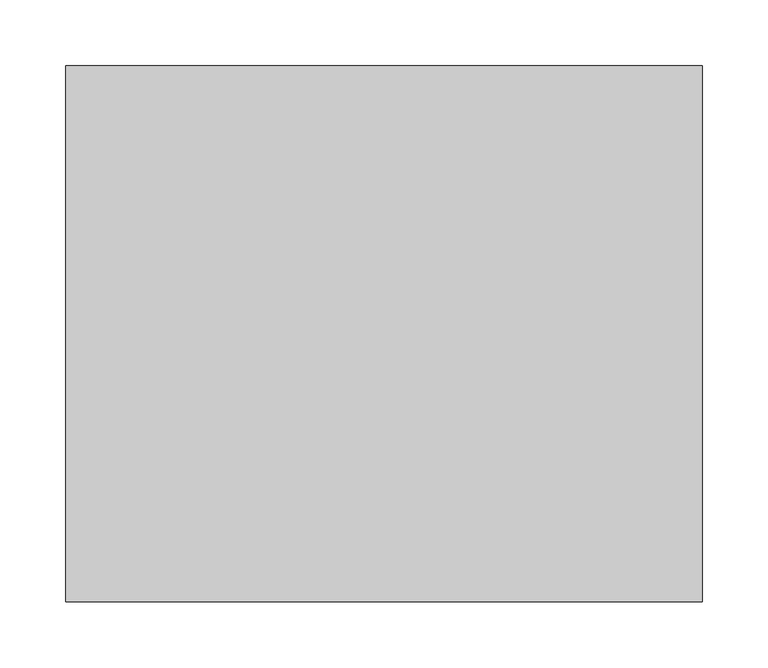
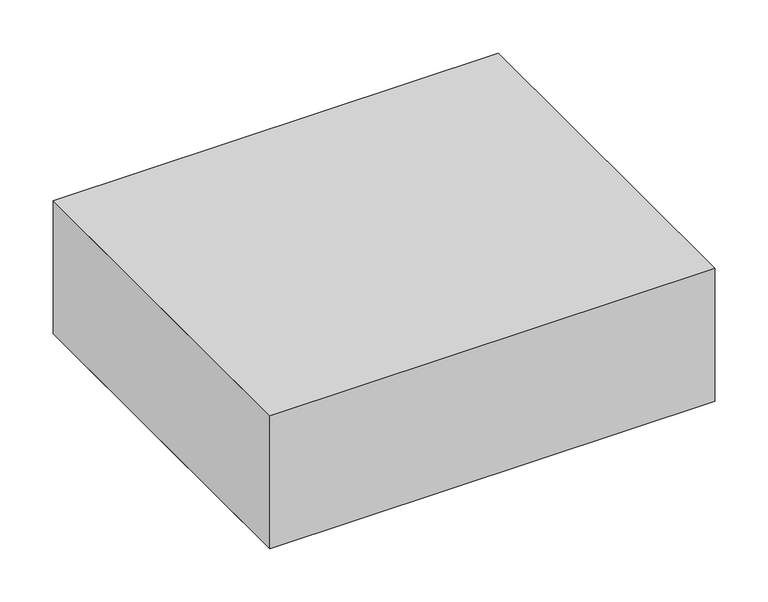
"""IFC4 building model written with IfcOpenShell, lengths in millimetres: proxy geometry."""

from ifc_helpers import new_model, si_unit, origin, origin_with_axes, place, context, project, spatial, polyline, outline, extrude, source, transform, mapped, element, save


def specialty_equipment_2a5e9f08(model_context):
    return source(origin(), model_context, "Body", "SweptSolid", [
        extrude(outline(polyline([(241.3, -203.2), (-241.3, -203.2), (-241.3, 203.2), (241.3, 203.2), (241.3, -203.2)])), origin_with_axes(), (0.0, 0.0, 1.0), 152.4),
        extrude(outline(polyline([(-241.3, -203.2), (-241.3, 0.0), (-241.3, 203.2), (241.3, 203.2), (241.3, -203.2), (-241.3, -203.2)])), origin_with_axes(), (0.0, 0.0, 1.0), 152.4),
    ])


if __name__ == "__main__":
    model = new_model("IFC4")
    model_context = context("Model", 3, world=origin())
    ifc_project = project(units=[si_unit("LENGTHUNIT", "METRE", prefix="MILLI")], contexts=[model_context])
    site = spatial("IfcSite", under=ifc_project)
    building = spatial("IfcBuilding", under=site)
    placement = place(None, origin())
    specialty_equipment_shape = specialty_equipment_2a5e9f08(model_context)
    element("IfcBuildingElementProxy", 1, Name="Specialty Equipment", at=placement, inside=building, context=model_context, shape_type="MappedRepresentation", body=[
        mapped(specialty_equipment_shape, transform((0.0, 0.0, 0.0), x_axis=(1.0, 0.0, 0.0), y_axis=(0.0, 1.0, 0.0), z_axis=(0.0, 0.0, 1.0))),
    ])
    save(model, "model.ifc")
